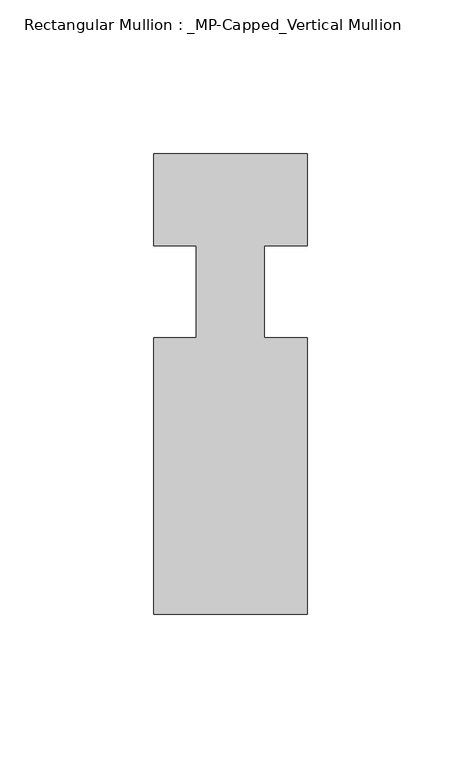
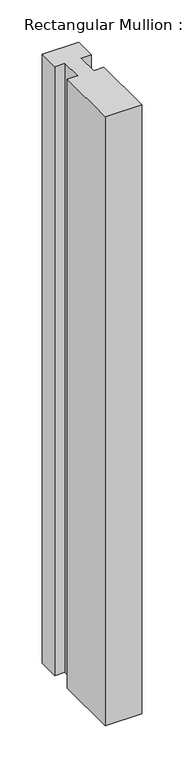
"""IFC4 building model written with IfcOpenShell, lengths in millimetres: member geometry, Rectangular Mullion : _MP-Capped_Vertical Mullion."""

from ifc_helpers import new_model, si_unit, frame, origin, place, context, project, spatial, polyline, outline, extrude, source, transform, mapped, element, save


def rectangular_mullion_mp_capped_vertical_mullion_24931b0b(model_context):
    return source(origin(), model_context, "Body", "SweptSolid", [
        extrude(outline(polyline([(25.0, 0.0), (25.0, -30.0), (11.0, -30.0), (11.0, -60.0), (25.0, -60.0), (25.0, -150.0), (-25.0, -150.0), (-25.0, -60.0), (-11.0, -60.0), (-11.0, -30.0), (-25.0, -30.0), (-25.0, 0.0), (25.0, 0.0)])), frame((0.0, 0.0, -883.0341184), z_axis=(0.0, 0.0, 1.0), x_axis=(1.0, 0.0, 0.0)), (0.0, 0.0, 1.0), 883.0341184),
    ])


if __name__ == "__main__":
    model = new_model("IFC4")
    model_context = context("Model", 3, world=origin())
    ifc_project = project(units=[si_unit("LENGTHUNIT", "METRE", prefix="MILLI")], contexts=[model_context])
    site = spatial("IfcSite", under=ifc_project)
    building = spatial("IfcBuilding", under=site)
    placement = place(None, origin())
    rectangular_mullion_mp_capped_vertical_mullion_shape = rectangular_mullion_mp_capped_vertical_mullion_24931b0b(model_context)
    element("IfcMember", 1, ObjectType="Rectangular Mullion : _MP-Capped_Vertical Mullion", at=placement, inside=building, context=model_context, shape_type="MappedRepresentation", body=[
        mapped(rectangular_mullion_mp_capped_vertical_mullion_shape, transform((0.0, 0.0, 0.0), x_axis=(1.0, 0.0, 0.0), y_axis=(0.0, 1.0, 0.0), z_axis=(0.0, 0.0, 1.0))),
    ])
    save(model, "model.ifc")
